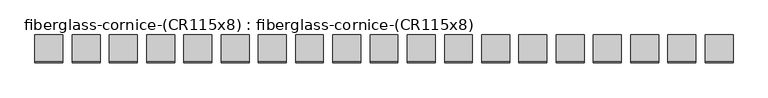
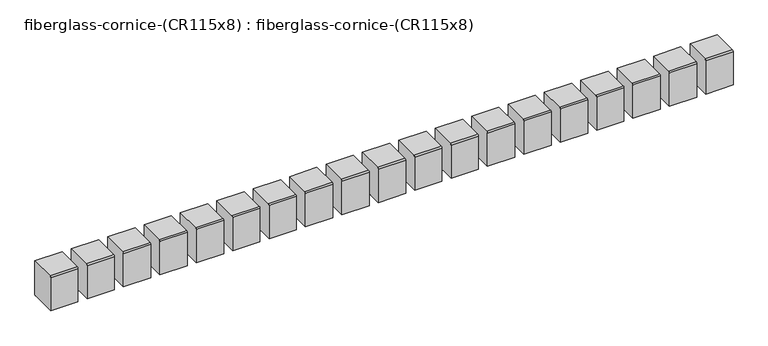
"""IFC4 building model written with IfcOpenShell, lengths in millimetres: furniture geometry, fiberglass-cornice-(CR115x8) : fiberglass-cornice-(CR115x8)."""

from ifc_helpers import new_model, si_unit, frame, origin, place, context, project, spatial, circle_curve, source, transform, mapped, element, save
from ifc_brep_helpers import plane_surface, cylinder_surface, advanced_brep


def fiberglass_cornice_cr115x8_fiberglass_cornice_cr115x8_4d7e9741(model_context):
    return source(origin(), model_context, "Body", "AdvancedBrep", [
        advanced_brep(
        [(-241.3316018, 254.0000168, 133.3535912), (-241.3316018, 257.1750148, 136.5250039), (-241.3316018, 330.2314169, 136.5250208), (-241.3316018, 330.2314169, 38.09225), (-241.3316018, 327.0743395, 34.9351726), (-241.3316018, 254.0000168, 34.9351726), (-165.1002018, 254.0000168, 133.3535912), (-165.1002018, 254.0000168, 34.9351726), (-165.1002018, 327.0743395, 34.9351726), (-165.1002018, 330.2314169, 38.09225), (-165.1002018, 330.2314169, 136.5250208), (-165.1002018, 257.1750149, 136.5250208)],
        [
            (0, 1, circle_curve(frame((-241.3316018, 257.1750148, 133.3500039), z_axis=(-1.0, 0.0, 0.0), x_axis=(0.0, 1.0, 0.0)), 3.175)),
            (1, 2),
            (2, 3),
            (3, 4, circle_curve(frame((-241.3316018, 327.0743395, 38.09225), z_axis=(-1.0, 0.0, 0.0), x_axis=(0.0, 1.0, 0.0)), 3.1570774)),
            (4, 5),
            (5, 0),
            (6, 7),
            (7, 8),
            (8, 9, circle_curve(frame((-165.1002018, 327.0743395, 38.09225), z_axis=(1.0, 0.0, 0.0), x_axis=(0.0, 1.0, 0.0)), 3.1570774)),
            (9, 10),
            (10, 11),
            (11, 6, circle_curve(frame((-165.1002018, 257.1750148, 133.3500039), z_axis=(1.0, 0.0, 0.0), x_axis=(0.0, 1.0, 0.0)), 3.175)),
            (0, 6),
            (11, 1),
            (10, 2),
            (9, 3),
            (8, 4),
            (7, 5),
        ],
        [
            plane_surface(frame((-241.3316018, 260.3500148, 133.3500039), z_axis=(-1.0, 0.0, 0.0), x_axis=(0.0, 0.0, -1.0))),
            plane_surface(frame((-165.1002018, 260.3500148, 133.3500039), z_axis=(1.0, 0.0, 0.0), x_axis=(0.0, 0.0, 1.0))),
            cylinder_surface(frame((-165.1002018, 257.1750148, 133.3500039), z_axis=(-1.0, 0.0, 0.0), x_axis=(0.0, 1.0, 0.0)), 3.175),
            plane_surface(frame((-241.3316018, 257.1750149, 136.5250208), z_axis=(0.0, 0.0, 1.0), x_axis=(1.0, 0.0, 0.0))),
            plane_surface(frame((-241.3316018, 330.2314169, 136.5250208), z_axis=(0.0, 1.0, 0.0), x_axis=(1.0, 0.0, 0.0))),
            cylinder_surface(frame((-165.1002018, 327.0743395, 38.09225), z_axis=(-1.0, 0.0, 0.0), x_axis=(0.0, 1.0, 0.0)), 3.1570774),
            plane_surface(frame((-241.3316018, 327.0743395, 34.9351726), z_axis=(0.0, 0.0, -1.0), x_axis=(1.0, 0.0, 0.0))),
            plane_surface(frame((-241.3316018, 254.0000168, 34.9351726), z_axis=(0.0, -1.0, 0.0), x_axis=(1.0, 0.0, 0.0))),
        ],
        [
            (0, [[1, 2, 3, 4, 5, 6]]),
            (1, [[7, 8, 9, 10, 11, 12]]),
            (2, [[-1, 13, -12, 14]]),
            (3, [[-2, -14, -11, 15]]),
            (4, [[-3, -15, -10, 16]]),
            (5, [[-4, -16, -9, 17]]),
            (6, [[-5, -17, -8, 18]]),
            (7, [[-6, -18, -7, -13]]),
        ],
    ),
        advanced_brep(
        [(-139.7316018, 254.0000168, 133.3535912), (-139.7316018, 257.1750148, 136.5250039), (-139.7316018, 330.2314169, 136.5250208), (-139.7316018, 330.2314169, 38.09225), (-139.7316018, 327.0743395, 34.9351726), (-139.7316018, 254.0000168, 34.9351726), (-63.5002018, 254.0000168, 133.3535912), (-63.5002018, 254.0000168, 34.9351726), (-63.5002018, 327.0743395, 34.9351726), (-63.5002018, 330.2314169, 38.09225), (-63.5002018, 330.2314169, 136.5250208), (-63.5002018, 257.1750149, 136.5250208)],
        [
            (0, 1, circle_curve(frame((-139.7316018, 257.1750148, 133.3500039), z_axis=(-1.0, 0.0, 0.0), x_axis=(0.0, 1.0, 0.0)), 3.175)),
            (1, 2),
            (2, 3),
            (3, 4, circle_curve(frame((-139.7316018, 327.0743395, 38.09225), z_axis=(-1.0, 0.0, 0.0), x_axis=(0.0, 1.0, 0.0)), 3.1570774)),
            (4, 5),
            (5, 0),
            (6, 7),
            (7, 8),
            (8, 9, circle_curve(frame((-63.5002018, 327.0743395, 38.09225), z_axis=(1.0, 0.0, 0.0), x_axis=(0.0, 1.0, 0.0)), 3.1570774)),
            (9, 10),
            (10, 11),
            (11, 6, circle_curve(frame((-63.5002018, 257.1750148, 133.3500039), z_axis=(1.0, 0.0, 0.0), x_axis=(0.0, 1.0, 0.0)), 3.175)),
            (0, 6),
            (11, 1),
            (10, 2),
            (9, 3),
            (8, 4),
            (7, 5),
        ],
        [
            plane_surface(frame((-139.7316018, 260.3500148, 133.3500039), z_axis=(-1.0, 0.0, 0.0), x_axis=(0.0, 0.0, -1.0))),
            plane_surface(frame((-63.5002018, 260.3500148, 133.3500039), z_axis=(1.0, 0.0, 0.0), x_axis=(0.0, 0.0, 1.0))),
            cylinder_surface(frame((-63.5002018, 257.1750148, 133.3500039), z_axis=(-1.0, 0.0, 0.0), x_axis=(0.0, 1.0, 0.0)), 3.175),
            plane_surface(frame((-139.7316018, 257.1750149, 136.5250208), z_axis=(0.0, 0.0, 1.0), x_axis=(1.0, 0.0, 0.0))),
            plane_surface(frame((-139.7316018, 330.2314169, 136.5250208), z_axis=(0.0, 1.0, 0.0), x_axis=(1.0, 0.0, 0.0))),
            cylinder_surface(frame((-63.5002018, 327.0743395, 38.09225), z_axis=(-1.0, 0.0, 0.0), x_axis=(0.0, 1.0, 0.0)), 3.1570774),
            plane_surface(frame((-139.7316018, 327.0743395, 34.9351726), z_axis=(0.0, 0.0, -1.0), x_axis=(1.0, 0.0, 0.0))),
            plane_surface(frame((-139.7316018, 254.0000168, 34.9351726), z_axis=(0.0, -1.0, 0.0), x_axis=(1.0, 0.0, 0.0))),
        ],
        [
            (0, [[1, 2, 3, 4, 5, 6]]),
            (1, [[7, 8, 9, 10, 11, 12]]),
            (2, [[-1, 13, -12, 14]]),
            (3, [[-2, -14, -11, 15]]),
            (4, [[-3, -15, -10, 16]]),
            (5, [[-4, -16, -9, 17]]),
            (6, [[-5, -17, -8, 18]]),
            (7, [[-6, -18, -7, -13]]),
        ],
    ),
        advanced_brep(
        [(-38.1316018, 254.0000168, 133.3535912), (-38.1316018, 257.1750148, 136.5250039), (-38.1316018, 330.2314169, 136.5250208), (-38.1316018, 330.2314169, 38.09225), (-38.1316018, 327.0743395, 34.9351726), (-38.1316018, 254.0000168, 34.9351726), (38.0997982, 254.0000168, 133.3535912), (38.0997982, 254.0000168, 34.9351726), (38.0997982, 327.0743395, 34.9351726), (38.0997982, 330.2314169, 38.09225), (38.0997982, 330.2314169, 136.5250208), (38.0997982, 257.1750149, 136.5250208)],
        [
            (0, 1, circle_curve(frame((-38.1316018, 257.1750148, 133.3500039), z_axis=(-1.0, 0.0, 0.0), x_axis=(0.0, 1.0, 0.0)), 3.175)),
            (1, 2),
            (2, 3),
            (3, 4, circle_curve(frame((-38.1316018, 327.0743395, 38.09225), z_axis=(-1.0, 0.0, 0.0), x_axis=(0.0, 1.0, 0.0)), 3.1570774)),
            (4, 5),
            (5, 0),
            (6, 7),
            (7, 8),
            (8, 9, circle_curve(frame((38.0997982, 327.0743395, 38.09225), z_axis=(1.0, 0.0, 0.0), x_axis=(0.0, 1.0, 0.0)), 3.1570774)),
            (9, 10),
            (10, 11),
            (11, 6, circle_curve(frame((38.0997982, 257.1750148, 133.3500039), z_axis=(1.0, 0.0, 0.0), x_axis=(0.0, 1.0, 0.0)), 3.175)),
            (0, 6),
            (11, 1),
            (10, 2),
            (9, 3),
            (8, 4),
            (7, 5),
        ],
        [
            plane_surface(frame((-38.1316018, 260.3500148, 133.3500039), z_axis=(-1.0, 0.0, 0.0), x_axis=(0.0, 0.0, -1.0))),
            plane_surface(frame((38.0997982, 260.3500148, 133.3500039), z_axis=(1.0, 0.0, 0.0), x_axis=(0.0, 0.0, 1.0))),
            cylinder_surface(frame((38.0997982, 257.1750148, 133.3500039), z_axis=(-1.0, 0.0, 0.0), x_axis=(0.0, 1.0, 0.0)), 3.175),
            plane_surface(frame((-38.1316018, 257.1750149, 136.5250208), z_axis=(0.0, 0.0, 1.0), x_axis=(1.0, 0.0, 0.0))),
            plane_surface(frame((-38.1316018, 330.2314169, 136.5250208), z_axis=(0.0, 1.0, 0.0), x_axis=(1.0, 0.0, 0.0))),
            cylinder_surface(frame((38.0997982, 327.0743395, 38.09225), z_axis=(-1.0, 0.0, 0.0), x_axis=(0.0, 1.0, 0.0)), 3.1570774),
            plane_surface(frame((-38.1316018, 327.0743395, 34.9351726), z_axis=(0.0, 0.0, -1.0), x_axis=(1.0, 0.0, 0.0))),
            plane_surface(frame((-38.1316018, 254.0000168, 34.9351726), z_axis=(0.0, -1.0, 0.0), x_axis=(1.0, 0.0, 0.0))),
        ],
        [
            (0, [[1, 2, 3, 4, 5, 6]]),
            (1, [[7, 8, 9, 10, 11, 12]]),
            (2, [[-1, 13, -12, 14]]),
            (3, [[-2, -14, -11, 15]]),
            (4, [[-3, -15, -10, 16]]),
            (5, [[-4, -16, -9, 17]]),
            (6, [[-5, -17, -8, 18]]),
            (7, [[-6, -18, -7, -13]]),
        ],
    ),
        advanced_brep(
        [(63.4683982, 254.0000168, 133.3535912), (63.4683982, 257.1750148, 136.5250039), (63.4683982, 330.2314169, 136.5250208), (63.4683982, 330.2314169, 38.09225), (63.4683982, 327.0743395, 34.9351726), (63.4683982, 254.0000168, 34.9351726), (139.6997982, 254.0000168, 133.3535912), (139.6997982, 254.0000168, 34.9351726), (139.6997982, 327.0743395, 34.9351726), (139.6997982, 330.2314169, 38.09225), (139.6997982, 330.2314169, 136.5250208), (139.6997982, 257.1750149, 136.5250208)],
        [
            (0, 1, circle_curve(frame((63.4683982, 257.1750148, 133.3500039), z_axis=(-1.0, 0.0, 0.0), x_axis=(0.0, 1.0, 0.0)), 3.175)),
            (1, 2),
            (2, 3),
            (3, 4, circle_curve(frame((63.4683982, 327.0743395, 38.09225), z_axis=(-1.0, 0.0, 0.0), x_axis=(0.0, 1.0, 0.0)), 3.1570774)),
            (4, 5),
            (5, 0),
            (6, 7),
            (7, 8),
            (8, 9, circle_curve(frame((139.6997982, 327.0743395, 38.09225), z_axis=(1.0, 0.0, 0.0), x_axis=(0.0, 1.0, 0.0)), 3.1570774)),
            (9, 10),
            (10, 11),
            (11, 6, circle_curve(frame((139.6997982, 257.1750148, 133.3500039), z_axis=(1.0, 0.0, 0.0), x_axis=(0.0, 1.0, 0.0)), 3.175)),
            (0, 6),
            (11, 1),
            (10, 2),
            (9, 3),
            (8, 4),
            (7, 5),
        ],
        [
            plane_surface(frame((63.4683982, 260.3500148, 133.3500039), z_axis=(-1.0, 0.0, 0.0), x_axis=(0.0, 0.0, -1.0))),
            plane_surface(frame((139.6997982, 260.3500148, 133.3500039), z_axis=(1.0, 0.0, 0.0), x_axis=(0.0, 0.0, 1.0))),
            cylinder_surface(frame((139.6997982, 257.1750148, 133.3500039), z_axis=(-1.0, 0.0, 0.0), x_axis=(0.0, 1.0, 0.0)), 3.175),
            plane_surface(frame((63.4683982, 257.1750149, 136.5250208), z_axis=(0.0, 0.0, 1.0), x_axis=(1.0, 0.0, 0.0))),
            plane_surface(frame((63.4683982, 330.2314169, 136.5250208), z_axis=(0.0, 1.0, 0.0), x_axis=(1.0, 0.0, 0.0))),
            cylinder_surface(frame((139.6997982, 327.0743395, 38.09225), z_axis=(-1.0, 0.0, 0.0), x_axis=(0.0, 1.0, 0.0)), 3.1570774),
            plane_surface(frame((63.4683982, 327.0743395, 34.9351726), z_axis=(0.0, 0.0, -1.0), x_axis=(1.0, 0.0, 0.0))),
            plane_surface(frame((63.4683982, 254.0000168, 34.9351726), z_axis=(0.0, -1.0, 0.0), x_axis=(1.0, 0.0, 0.0))),
        ],
        [
            (0, [[1, 2, 3, 4, 5, 6]]),
            (1, [[7, 8, 9, 10, 11, 12]]),
            (2, [[-1, 13, -12, 14]]),
            (3, [[-2, -14, -11, 15]]),
            (4, [[-3, -15, -10, 16]]),
            (5, [[-4, -16, -9, 17]]),
            (6, [[-5, -17, -8, 18]]),
            (7, [[-6, -18, -7, -13]]),
        ],
    ),
        advanced_brep(
        [(165.0683982, 254.0000168, 133.3535912), (165.0683982, 257.1750148, 136.5250039), (165.0683982, 330.2314169, 136.5250208), (165.0683982, 330.2314169, 38.09225), (165.0683982, 327.0743395, 34.9351726), (165.0683982, 254.0000168, 34.9351726), (241.2997982, 254.0000168, 133.3535912), (241.2997982, 254.0000168, 34.9351726), (241.2997982, 327.0743395, 34.9351726), (241.2997982, 330.2314169, 38.09225), (241.2997982, 330.2314169, 136.5250208), (241.2997982, 257.1750149, 136.5250208)],
        [
            (0, 1, circle_curve(frame((165.0683982, 257.1750148, 133.3500039), z_axis=(-1.0, 0.0, 0.0), x_axis=(0.0, 1.0, 0.0)), 3.175)),
            (1, 2),
            (2, 3),
            (3, 4, circle_curve(frame((165.0683982, 327.0743395, 38.09225), z_axis=(-1.0, 0.0, 0.0), x_axis=(0.0, 1.0, 0.0)), 3.1570774)),
            (4, 5),
            (5, 0),
            (6, 7),
            (7, 8),
            (8, 9, circle_curve(frame((241.2997982, 327.0743395, 38.09225), z_axis=(1.0, 0.0, 0.0), x_axis=(0.0, 1.0, 0.0)), 3.1570774)),
            (9, 10),
            (10, 11),
            (11, 6, circle_curve(frame((241.2997982, 257.1750148, 133.3500039), z_axis=(1.0, 0.0, 0.0), x_axis=(0.0, 1.0, 0.0)), 3.175)),
            (0, 6),
            (11, 1),
            (10, 2),
            (9, 3),
            (8, 4),
            (7, 5),
        ],
        [
            plane_surface(frame((165.0683982, 260.3500148, 133.3500039), z_axis=(-1.0, 0.0, 0.0), x_axis=(0.0, 0.0, -1.0))),
            plane_surface(frame((241.2997982, 260.3500148, 133.3500039), z_axis=(1.0, 0.0, 0.0), x_axis=(0.0, 0.0, 1.0))),
            cylinder_surface(frame((241.2997982, 257.1750148, 133.3500039), z_axis=(-1.0, 0.0, 0.0), x_axis=(0.0, 1.0, 0.0)), 3.175),
            plane_surface(frame((165.0683982, 257.1750149, 136.5250208), z_axis=(0.0, 0.0, 1.0), x_axis=(1.0, 0.0, 0.0))),
            plane_surface(frame((165.0683982, 330.2314169, 136.5250208), z_axis=(0.0, 1.0, 0.0), x_axis=(1.0, 0.0, 0.0))),
            cylinder_surface(frame((241.2997982, 327.0743395, 38.09225), z_axis=(-1.0, 0.0, 0.0), x_axis=(0.0, 1.0, 0.0)), 3.1570774),
            plane_surface(frame((165.0683982, 327.0743395, 34.9351726), z_axis=(0.0, 0.0, -1.0), x_axis=(1.0, 0.0, 0.0))),
            plane_surface(frame((165.0683982, 254.0000168, 34.9351726), z_axis=(0.0, -1.0, 0.0), x_axis=(1.0, 0.0, 0.0))),
        ],
        [
            (0, [[1, 2, 3, 4, 5, 6]]),
            (1, [[7, 8, 9, 10, 11, 12]]),
            (2, [[-1, 13, -12, 14]]),
            (3, [[-2, -14, -11, 15]]),
            (4, [[-3, -15, -10, 16]]),
            (5, [[-4, -16, -9, 17]]),
            (6, [[-5, -17, -8, 18]]),
            (7, [[-6, -18, -7, -13]]),
        ],
    ),
        advanced_brep(
        [(266.6683982, 254.0000168, 133.3535912), (266.6683982, 257.1750148, 136.5250039), (266.6683982, 330.2314169, 136.5250208), (266.6683982, 330.2314169, 38.09225), (266.6683982, 327.0743395, 34.9351726), (266.6683982, 254.0000168, 34.9351726), (342.8997982, 254.0000168, 133.3535912), (342.8997982, 254.0000168, 34.9351726), (342.8997982, 327.0743395, 34.9351726), (342.8997982, 330.2314169, 38.09225), (342.8997982, 330.2314169, 136.5250208), (342.8997982, 257.1750149, 136.5250208)],
        [
            (0, 1, circle_curve(frame((266.6683982, 257.1750148, 133.3500039), z_axis=(-1.0, 0.0, 0.0), x_axis=(0.0, 1.0, 0.0)), 3.175)),
            (1, 2),
            (2, 3),
            (3, 4, circle_curve(frame((266.6683982, 327.0743395, 38.09225), z_axis=(-1.0, 0.0, 0.0), x_axis=(0.0, 1.0, 0.0)), 3.1570774)),
            (4, 5),
            (5, 0),
            (6, 7),
            (7, 8),
            (8, 9, circle_curve(frame((342.8997982, 327.0743395, 38.09225), z_axis=(1.0, 0.0, 0.0), x_axis=(0.0, 1.0, 0.0)), 3.1570774)),
            (9, 10),
            (10, 11),
            (11, 6, circle_curve(frame((342.8997982, 257.1750148, 133.3500039), z_axis=(1.0, 0.0, 0.0), x_axis=(0.0, 1.0, 0.0)), 3.175)),
            (0, 6),
            (11, 1),
            (10, 2),
            (9, 3),
            (8, 4),
            (7, 5),
        ],
        [
            plane_surface(frame((266.6683982, 260.3500148, 133.3500039), z_axis=(-1.0, 0.0, 0.0), x_axis=(0.0, 0.0, -1.0))),
            plane_surface(frame((342.8997982, 260.3500148, 133.3500039), z_axis=(1.0, 0.0, 0.0), x_axis=(0.0, 0.0, 1.0))),
            cylinder_surface(frame((342.8997982, 257.1750148, 133.3500039), z_axis=(-1.0, 0.0, 0.0), x_axis=(0.0, 1.0, 0.0)), 3.175),
            plane_surface(frame((266.6683982, 257.1750149, 136.5250208), z_axis=(0.0, 0.0, 1.0), x_axis=(1.0, 0.0, 0.0))),
            plane_surface(frame((266.6683982, 330.2314169, 136.5250208), z_axis=(0.0, 1.0, 0.0), x_axis=(1.0, 0.0, 0.0))),
            cylinder_surface(frame((342.8997982, 327.0743395, 38.09225), z_axis=(-1.0, 0.0, 0.0), x_axis=(0.0, 1.0, 0.0)), 3.1570774),
            plane_surface(frame((266.6683982, 327.0743395, 34.9351726), z_axis=(0.0, 0.0, -1.0), x_axis=(1.0, 0.0, 0.0))),
            plane_surface(frame((266.6683982, 254.0000168, 34.9351726), z_axis=(0.0, -1.0, 0.0), x_axis=(1.0, 0.0, 0.0))),
        ],
        [
            (0, [[1, 2, 3, 4, 5, 6]]),
            (1, [[7, 8, 9, 10, 11, 12]]),
            (2, [[-1, 13, -12, 14]]),
            (3, [[-2, -14, -11, 15]]),
            (4, [[-3, -15, -10, 16]]),
            (5, [[-4, -16, -9, 17]]),
            (6, [[-5, -17, -8, 18]]),
            (7, [[-6, -18, -7, -13]]),
        ],
    ),
        advanced_brep(
        [(368.2683982, 254.0000168, 133.3535912), (368.2683982, 257.1750148, 136.5250039), (368.2683982, 330.2314169, 136.5250208), (368.2683982, 330.2314169, 38.09225), (368.2683982, 327.0743395, 34.9351726), (368.2683982, 254.0000168, 34.9351726), (444.4997982, 254.0000168, 133.3535912), (444.4997982, 254.0000168, 34.9351726), (444.4997982, 327.0743395, 34.9351726), (444.4997982, 330.2314169, 38.09225), (444.4997982, 330.2314169, 136.5250208), (444.4997982, 257.1750149, 136.5250208)],
        [
            (0, 1, circle_curve(frame((368.2683982, 257.1750148, 133.3500039), z_axis=(-1.0, 0.0, 0.0), x_axis=(0.0, 1.0, 0.0)), 3.175)),
            (1, 2),
            (2, 3),
            (3, 4, circle_curve(frame((368.2683982, 327.0743395, 38.09225), z_axis=(-1.0, 0.0, 0.0), x_axis=(0.0, 1.0, 0.0)), 3.1570774)),
            (4, 5),
            (5, 0),
            (6, 7),
            (7, 8),
            (8, 9, circle_curve(frame((444.4997982, 327.0743395, 38.09225), z_axis=(1.0, 0.0, 0.0), x_axis=(0.0, 1.0, 0.0)), 3.1570774)),
            (9, 10),
            (10, 11),
            (11, 6, circle_curve(frame((444.4997982, 257.1750148, 133.3500039), z_axis=(1.0, 0.0, 0.0), x_axis=(0.0, 1.0, 0.0)), 3.175)),
            (0, 6),
            (11, 1),
            (10, 2),
            (9, 3),
            (8, 4),
            (7, 5),
        ],
        [
            plane_surface(frame((368.2683982, 260.3500148, 133.3500039), z_axis=(-1.0, 0.0, 0.0), x_axis=(0.0, 0.0, -1.0))),
            plane_surface(frame((444.4997982, 260.3500148, 133.3500039), z_axis=(1.0, 0.0, 0.0), x_axis=(0.0, 0.0, 1.0))),
            cylinder_surface(frame((444.4997982, 257.1750148, 133.3500039), z_axis=(-1.0, 0.0, 0.0), x_axis=(0.0, 1.0, 0.0)), 3.175),
            plane_surface(frame((368.2683982, 257.1750149, 136.5250208), z_axis=(0.0, 0.0, 1.0), x_axis=(1.0, 0.0, 0.0))),
            plane_surface(frame((368.2683982, 330.2314169, 136.5250208), z_axis=(0.0, 1.0, 0.0), x_axis=(1.0, 0.0, 0.0))),
            cylinder_surface(frame((444.4997982, 327.0743395, 38.09225), z_axis=(-1.0, 0.0, 0.0), x_axis=(0.0, 1.0, 0.0)), 3.1570774),
            plane_surface(frame((368.2683982, 327.0743395, 34.9351726), z_axis=(0.0, 0.0, -1.0), x_axis=(1.0, 0.0, 0.0))),
            plane_surface(frame((368.2683982, 254.0000168, 34.9351726), z_axis=(0.0, -1.0, 0.0), x_axis=(1.0, 0.0, 0.0))),
        ],
        [
            (0, [[1, 2, 3, 4, 5, 6]]),
            (1, [[7, 8, 9, 10, 11, 12]]),
            (2, [[-1, 13, -12, 14]]),
            (3, [[-2, -14, -11, 15]]),
            (4, [[-3, -15, -10, 16]]),
            (5, [[-4, -16, -9, 17]]),
            (6, [[-5, -17, -8, 18]]),
            (7, [[-6, -18, -7, -13]]),
        ],
    ),
        advanced_brep(
        [(469.8683982, 254.0000168, 133.3535912), (469.8683982, 257.1750148, 136.5250039), (469.8683982, 330.2314169, 136.5250208), (469.8683982, 330.2314169, 38.09225), (469.8683982, 327.0743395, 34.9351726), (469.8683982, 254.0000168, 34.9351726), (546.0997982, 254.0000168, 133.3535912), (546.0997982, 254.0000168, 34.9351726), (546.0997982, 327.0743395, 34.9351726), (546.0997982, 330.2314169, 38.09225), (546.0997982, 330.2314169, 136.5250208), (546.0997982, 257.1750149, 136.5250208)],
        [
            (0, 1, circle_curve(frame((469.8683982, 257.1750148, 133.3500039), z_axis=(-1.0, 0.0, 0.0), x_axis=(0.0, 1.0, 0.0)), 3.175)),
            (1, 2),
            (2, 3),
            (3, 4, circle_curve(frame((469.8683982, 327.0743395, 38.09225), z_axis=(-1.0, 0.0, 0.0), x_axis=(0.0, 1.0, 0.0)), 3.1570774)),
            (4, 5),
            (5, 0),
            (6, 7),
            (7, 8),
            (8, 9, circle_curve(frame((546.0997982, 327.0743395, 38.09225), z_axis=(1.0, 0.0, 0.0), x_axis=(0.0, 1.0, 0.0)), 3.1570774)),
            (9, 10),
            (10, 11),
            (11, 6, circle_curve(frame((546.0997982, 257.1750148, 133.3500039), z_axis=(1.0, 0.0, 0.0), x_axis=(0.0, 1.0, 0.0)), 3.175)),
            (0, 6),
            (11, 1),
            (10, 2),
            (9, 3),
            (8, 4),
            (7, 5),
        ],
        [
            plane_surface(frame((469.8683982, 260.3500148, 133.3500039), z_axis=(-1.0, 0.0, 0.0), x_axis=(0.0, 0.0, -1.0))),
            plane_surface(frame((546.0997982, 260.3500148, 133.3500039), z_axis=(1.0, 0.0, 0.0), x_axis=(0.0, 0.0, 1.0))),
            cylinder_surface(frame((546.0997982, 257.1750148, 133.3500039), z_axis=(-1.0, 0.0, 0.0), x_axis=(0.0, 1.0, 0.0)), 3.175),
            plane_surface(frame((469.8683982, 257.1750149, 136.5250208), z_axis=(0.0, 0.0, 1.0), x_axis=(1.0, 0.0, 0.0))),
            plane_surface(frame((469.8683982, 330.2314169, 136.5250208), z_axis=(0.0, 1.0, 0.0), x_axis=(1.0, 0.0, 0.0))),
            cylinder_surface(frame((546.0997982, 327.0743395, 38.09225), z_axis=(-1.0, 0.0, 0.0), x_axis=(0.0, 1.0, 0.0)), 3.1570774),
            plane_surface(frame((469.8683982, 327.0743395, 34.9351726), z_axis=(0.0, 0.0, -1.0), x_axis=(1.0, 0.0, 0.0))),
            plane_surface(frame((469.8683982, 254.0000168, 34.9351726), z_axis=(0.0, -1.0, 0.0), x_axis=(1.0, 0.0, 0.0))),
        ],
        [
            (0, [[1, 2, 3, 4, 5, 6]]),
            (1, [[7, 8, 9, 10, 11, 12]]),
            (2, [[-1, 13, -12, 14]]),
            (3, [[-2, -14, -11, 15]]),
            (4, [[-3, -15, -10, 16]]),
            (5, [[-4, -16, -9, 17]]),
            (6, [[-5, -17, -8, 18]]),
            (7, [[-6, -18, -7, -13]]),
        ],
    ),
        advanced_brep(
        [(571.4683982, 254.0000168, 133.3535912), (571.4683982, 257.1750148, 136.5250039), (571.4683982, 330.2314169, 136.5250208), (571.4683982, 330.2314169, 38.09225), (571.4683982, 327.0743395, 34.9351726), (571.4683982, 254.0000168, 34.9351726), (647.6997982, 254.0000168, 133.3535912), (647.6997982, 254.0000168, 34.9351726), (647.6997982, 327.0743395, 34.9351726), (647.6997982, 330.2314169, 38.09225), (647.6997982, 330.2314169, 136.5250208), (647.6997982, 257.1750149, 136.5250208)],
        [
            (0, 1, circle_curve(frame((571.4683982, 257.1750148, 133.3500039), z_axis=(-1.0, 0.0, 0.0), x_axis=(0.0, 1.0, 0.0)), 3.175)),
            (1, 2),
            (2, 3),
            (3, 4, circle_curve(frame((571.4683982, 327.0743395, 38.09225), z_axis=(-1.0, 0.0, 0.0), x_axis=(0.0, 1.0, 0.0)), 3.1570774)),
            (4, 5),
            (5, 0),
            (6, 7),
            (7, 8),
            (8, 9, circle_curve(frame((647.6997982, 327.0743395, 38.09225), z_axis=(1.0, 0.0, 0.0), x_axis=(0.0, 1.0, 0.0)), 3.1570774)),
            (9, 10),
            (10, 11),
            (11, 6, circle_curve(frame((647.6997982, 257.1750148, 133.3500039), z_axis=(1.0, 0.0, 0.0), x_axis=(0.0, 1.0, 0.0)), 3.175)),
            (0, 6),
            (11, 1),
            (10, 2),
            (9, 3),
            (8, 4),
            (7, 5),
        ],
        [
            plane_surface(frame((571.4683982, 260.3500148, 133.3500039), z_axis=(-1.0, 0.0, 0.0), x_axis=(0.0, 0.0, -1.0))),
            plane_surface(frame((647.6997982, 260.3500148, 133.3500039), z_axis=(1.0, 0.0, 0.0), x_axis=(0.0, 0.0, 1.0))),
            cylinder_surface(frame((647.6997982, 257.1750148, 133.3500039), z_axis=(-1.0, 0.0, 0.0), x_axis=(0.0, 1.0, 0.0)), 3.175),
            plane_surface(frame((571.4683982, 257.1750149, 136.5250208), z_axis=(0.0, 0.0, 1.0), x_axis=(1.0, 0.0, 0.0))),
            plane_surface(frame((571.4683982, 330.2314169, 136.5250208), z_axis=(0.0, 1.0, 0.0), x_axis=(1.0, 0.0, 0.0))),
            cylinder_surface(frame((647.6997982, 327.0743395, 38.09225), z_axis=(-1.0, 0.0, 0.0), x_axis=(0.0, 1.0, 0.0)), 3.1570774),
            plane_surface(frame((571.4683982, 327.0743395, 34.9351726), z_axis=(0.0, 0.0, -1.0), x_axis=(1.0, 0.0, 0.0))),
            plane_surface(frame((571.4683982, 254.0000168, 34.9351726), z_axis=(0.0, -1.0, 0.0), x_axis=(1.0, 0.0, 0.0))),
        ],
        [
            (0, [[1, 2, 3, 4, 5, 6]]),
            (1, [[7, 8, 9, 10, 11, 12]]),
            (2, [[-1, 13, -12, 14]]),
            (3, [[-2, -14, -11, 15]]),
            (4, [[-3, -15, -10, 16]]),
            (5, [[-4, -16, -9, 17]]),
            (6, [[-5, -17, -8, 18]]),
            (7, [[-6, -18, -7, -13]]),
        ],
    ),
        advanced_brep(
        [(673.0683982, 254.0000168, 133.3535912), (673.0683982, 257.1750148, 136.5250039), (673.0683982, 330.2314169, 136.5250208), (673.0683982, 330.2314169, 38.09225), (673.0683982, 327.0743395, 34.9351726), (673.0683982, 254.0000168, 34.9351726), (749.2997982, 254.0000168, 133.3535912), (749.2997982, 254.0000168, 34.9351726), (749.2997982, 327.0743395, 34.9351726), (749.2997982, 330.2314169, 38.09225), (749.2997982, 330.2314169, 136.5250208), (749.2997982, 257.1750149, 136.5250208)],
        [
            (0, 1, circle_curve(frame((673.0683982, 257.1750148, 133.3500039), z_axis=(-1.0, 0.0, 0.0), x_axis=(0.0, 1.0, 0.0)), 3.175)),
            (1, 2),
            (2, 3),
            (3, 4, circle_curve(frame((673.0683982, 327.0743395, 38.09225), z_axis=(-1.0, 0.0, 0.0), x_axis=(0.0, 1.0, 0.0)), 3.1570774)),
            (4, 5),
            (5, 0),
            (6, 7),
            (7, 8),
            (8, 9, circle_curve(frame((749.2997982, 327.0743395, 38.09225), z_axis=(1.0, 0.0, 0.0), x_axis=(0.0, 1.0, 0.0)), 3.1570774)),
            (9, 10),
            (10, 11),
            (11, 6, circle_curve(frame((749.2997982, 257.1750148, 133.3500039), z_axis=(1.0, 0.0, 0.0), x_axis=(0.0, 1.0, 0.0)), 3.175)),
            (0, 6),
            (11, 1),
            (10, 2),
            (9, 3),
            (8, 4),
            (7, 5),
        ],
        [
            plane_surface(frame((673.0683982, 260.3500148, 133.3500039), z_axis=(-1.0, 0.0, 0.0), x_axis=(0.0, 0.0, -1.0))),
            plane_surface(frame((749.2997982, 260.3500148, 133.3500039), z_axis=(1.0, 0.0, 0.0), x_axis=(0.0, 0.0, 1.0))),
            cylinder_surface(frame((749.2997982, 257.1750148, 133.3500039), z_axis=(-1.0, 0.0, 0.0), x_axis=(0.0, 1.0, 0.0)), 3.175),
            plane_surface(frame((673.0683982, 257.1750149, 136.5250208), z_axis=(0.0, 0.0, 1.0), x_axis=(1.0, 0.0, 0.0))),
            plane_surface(frame((673.0683982, 330.2314169, 136.5250208), z_axis=(0.0, 1.0, 0.0), x_axis=(1.0, 0.0, 0.0))),
            cylinder_surface(frame((749.2997982, 327.0743395, 38.09225), z_axis=(-1.0, 0.0, 0.0), x_axis=(0.0, 1.0, 0.0)), 3.1570774),
            plane_surface(frame((673.0683982, 327.0743395, 34.9351726), z_axis=(0.0, 0.0, -1.0), x_axis=(1.0, 0.0, 0.0))),
            plane_surface(frame((673.0683982, 254.0000168, 34.9351726), z_axis=(0.0, -1.0, 0.0), x_axis=(1.0, 0.0, 0.0))),
        ],
        [
            (0, [[1, 2, 3, 4, 5, 6]]),
            (1, [[7, 8, 9, 10, 11, 12]]),
            (2, [[-1, 13, -12, 14]]),
            (3, [[-2, -14, -11, 15]]),
            (4, [[-3, -15, -10, 16]]),
            (5, [[-4, -16, -9, 17]]),
            (6, [[-5, -17, -8, 18]]),
            (7, [[-6, -18, -7, -13]]),
        ],
    ),
        advanced_brep(
        [(774.6683982, 254.0000168, 133.3535912), (774.6683982, 257.1750148, 136.5250039), (774.6683982, 330.2314169, 136.5250208), (774.6683982, 330.2314169, 38.09225), (774.6683982, 327.0743395, 34.9351726), (774.6683982, 254.0000168, 34.9351726), (850.8997982, 254.0000168, 133.3535912), (850.8997982, 254.0000168, 34.9351726), (850.8997982, 327.0743395, 34.9351726), (850.8997982, 330.2314169, 38.09225), (850.8997982, 330.2314169, 136.5250208), (850.8997982, 257.1750149, 136.5250208)],
        [
            (0, 1, circle_curve(frame((774.6683982, 257.1750148, 133.3500039), z_axis=(-1.0, 0.0, 0.0), x_axis=(0.0, 1.0, 0.0)), 3.175)),
            (1, 2),
            (2, 3),
            (3, 4, circle_curve(frame((774.6683982, 327.0743395, 38.09225), z_axis=(-1.0, 0.0, 0.0), x_axis=(0.0, 1.0, 0.0)), 3.1570774)),
            (4, 5),
            (5, 0),
            (6, 7),
            (7, 8),
            (8, 9, circle_curve(frame((850.8997982, 327.0743395, 38.09225), z_axis=(1.0, 0.0, 0.0), x_axis=(0.0, 1.0, 0.0)), 3.1570774)),
            (9, 10),
            (10, 11),
            (11, 6, circle_curve(frame((850.8997982, 257.1750148, 133.3500039), z_axis=(1.0, 0.0, 0.0), x_axis=(0.0, 1.0, 0.0)), 3.175)),
            (0, 6),
            (11, 1),
            (10, 2),
            (9, 3),
            (8, 4),
            (7, 5),
        ],
        [
            plane_surface(frame((774.6683982, 260.3500148, 133.3500039), z_axis=(-1.0, 0.0, 0.0), x_axis=(0.0, 0.0, -1.0))),
            plane_surface(frame((850.8997982, 260.3500148, 133.3500039), z_axis=(1.0, 0.0, 0.0), x_axis=(0.0, 0.0, 1.0))),
            cylinder_surface(frame((850.8997982, 257.1750148, 133.3500039), z_axis=(-1.0, 0.0, 0.0), x_axis=(0.0, 1.0, 0.0)), 3.175),
            plane_surface(frame((774.6683982, 257.1750149, 136.5250208), z_axis=(0.0, 0.0, 1.0), x_axis=(1.0, 0.0, 0.0))),
            plane_surface(frame((774.6683982, 330.2314169, 136.5250208), z_axis=(0.0, 1.0, 0.0), x_axis=(1.0, 0.0, 0.0))),
            cylinder_surface(frame((850.8997982, 327.0743395, 38.09225), z_axis=(-1.0, 0.0, 0.0), x_axis=(0.0, 1.0, 0.0)), 3.1570774),
            plane_surface(frame((774.6683982, 327.0743395, 34.9351726), z_axis=(0.0, 0.0, -1.0), x_axis=(1.0, 0.0, 0.0))),
            plane_surface(frame((774.6683982, 254.0000168, 34.9351726), z_axis=(0.0, -1.0, 0.0), x_axis=(1.0, 0.0, 0.0))),
        ],
        [
            (0, [[1, 2, 3, 4, 5, 6]]),
            (1, [[7, 8, 9, 10, 11, 12]]),
            (2, [[-1, 13, -12, 14]]),
            (3, [[-2, -14, -11, 15]]),
            (4, [[-3, -15, -10, 16]]),
            (5, [[-4, -16, -9, 17]]),
            (6, [[-5, -17, -8, 18]]),
            (7, [[-6, -18, -7, -13]]),
        ],
    ),
        advanced_brep(
        [(876.2683982, 254.0000168, 133.3535912), (876.2683982, 257.1750148, 136.5250039), (876.2683982, 330.2314169, 136.5250208), (876.2683982, 330.2314169, 38.09225), (876.2683982, 327.0743395, 34.9351726), (876.2683982, 254.0000168, 34.9351726), (952.4997982, 254.0000168, 133.3535912), (952.4997982, 254.0000168, 34.9351726), (952.4997982, 327.0743395, 34.9351726), (952.4997982, 330.2314169, 38.09225), (952.4997982, 330.2314169, 136.5250208), (952.4997982, 257.1750149, 136.5250208)],
        [
            (0, 1, circle_curve(frame((876.2683982, 257.1750148, 133.3500039), z_axis=(-1.0, 0.0, 0.0), x_axis=(0.0, 1.0, 0.0)), 3.175)),
            (1, 2),
            (2, 3),
            (3, 4, circle_curve(frame((876.2683982, 327.0743395, 38.09225), z_axis=(-1.0, 0.0, 0.0), x_axis=(0.0, 1.0, 0.0)), 3.1570774)),
            (4, 5),
            (5, 0),
            (6, 7),
            (7, 8),
            (8, 9, circle_curve(frame((952.4997982, 327.0743395, 38.09225), z_axis=(1.0, 0.0, 0.0), x_axis=(0.0, 1.0, 0.0)), 3.1570774)),
            (9, 10),
            (10, 11),
            (11, 6, circle_curve(frame((952.4997982, 257.1750148, 133.3500039), z_axis=(1.0, 0.0, 0.0), x_axis=(0.0, 1.0, 0.0)), 3.175)),
            (0, 6),
            (11, 1),
            (10, 2),
            (9, 3),
            (8, 4),
            (7, 5),
        ],
        [
            plane_surface(frame((876.2683982, 260.3500148, 133.3500039), z_axis=(-1.0, 0.0, 0.0), x_axis=(0.0, 0.0, -1.0))),
            plane_surface(frame((952.4997982, 260.3500148, 133.3500039), z_axis=(1.0, 0.0, 0.0), x_axis=(0.0, 0.0, 1.0))),
            cylinder_surface(frame((952.4997982, 257.1750148, 133.3500039), z_axis=(-1.0, 0.0, 0.0), x_axis=(0.0, 1.0, 0.0)), 3.175),
            plane_surface(frame((876.2683982, 257.1750149, 136.5250208), z_axis=(0.0, 0.0, 1.0), x_axis=(1.0, 0.0, 0.0))),
            plane_surface(frame((876.2683982, 330.2314169, 136.5250208), z_axis=(0.0, 1.0, 0.0), x_axis=(1.0, 0.0, 0.0))),
            cylinder_surface(frame((952.4997982, 327.0743395, 38.09225), z_axis=(-1.0, 0.0, 0.0), x_axis=(0.0, 1.0, 0.0)), 3.1570774),
            plane_surface(frame((876.2683982, 327.0743395, 34.9351726), z_axis=(0.0, 0.0, -1.0), x_axis=(1.0, 0.0, 0.0))),
            plane_surface(frame((876.2683982, 254.0000168, 34.9351726), z_axis=(0.0, -1.0, 0.0), x_axis=(1.0, 0.0, 0.0))),
        ],
        [
            (0, [[1, 2, 3, 4, 5, 6]]),
            (1, [[7, 8, 9, 10, 11, 12]]),
            (2, [[-1, 13, -12, 14]]),
            (3, [[-2, -14, -11, 15]]),
            (4, [[-3, -15, -10, 16]]),
            (5, [[-4, -16, -9, 17]]),
            (6, [[-5, -17, -8, 18]]),
            (7, [[-6, -18, -7, -13]]),
        ],
    ),
        advanced_brep(
        [(977.8683982, 254.0000168, 133.3535912), (977.8683982, 257.1750148, 136.5250039), (977.8683982, 330.2314169, 136.5250208), (977.8683982, 330.2314169, 38.09225), (977.8683982, 327.0743395, 34.9351726), (977.8683982, 254.0000168, 34.9351726), (1054.0997982, 254.0000168, 133.3535912), (1054.0997982, 254.0000168, 34.9351726), (1054.0997982, 327.0743395, 34.9351726), (1054.0997982, 330.2314169, 38.09225), (1054.0997982, 330.2314169, 136.5250208), (1054.0997982, 257.1750149, 136.5250208)],
        [
            (0, 1, circle_curve(frame((977.8683982, 257.1750148, 133.3500039), z_axis=(-1.0, 0.0, 0.0), x_axis=(0.0, 1.0, 0.0)), 3.175)),
            (1, 2),
            (2, 3),
            (3, 4, circle_curve(frame((977.8683982, 327.0743395, 38.09225), z_axis=(-1.0, 0.0, 0.0), x_axis=(0.0, 1.0, 0.0)), 3.1570774)),
            (4, 5),
            (5, 0),
            (6, 7),
            (7, 8),
            (8, 9, circle_curve(frame((1054.0997982, 327.0743395, 38.09225), z_axis=(1.0, 0.0, 0.0), x_axis=(0.0, 1.0, 0.0)), 3.1570774)),
            (9, 10),
            (10, 11),
            (11, 6, circle_curve(frame((1054.0997982, 257.1750148, 133.3500039), z_axis=(1.0, 0.0, 0.0), x_axis=(0.0, 1.0, 0.0)), 3.175)),
            (0, 6),
            (11, 1),
            (10, 2),
            (9, 3),
            (8, 4),
            (7, 5),
        ],
        [
            plane_surface(frame((977.8683982, 260.3500148, 133.3500039), z_axis=(-1.0, 0.0, 0.0), x_axis=(0.0, 0.0, -1.0))),
            plane_surface(frame((1054.0997982, 260.3500148, 133.3500039), z_axis=(1.0, 0.0, 0.0), x_axis=(0.0, 0.0, 1.0))),
            cylinder_surface(frame((1054.0997982, 257.1750148, 133.3500039), z_axis=(-1.0, 0.0, 0.0), x_axis=(0.0, 1.0, 0.0)), 3.175),
            plane_surface(frame((977.8683982, 257.1750149, 136.5250208), z_axis=(0.0, 0.0, 1.0), x_axis=(1.0, 0.0, 0.0))),
            plane_surface(frame((977.8683982, 330.2314169, 136.5250208), z_axis=(0.0, 1.0, 0.0), x_axis=(1.0, 0.0, 0.0))),
            cylinder_surface(frame((1054.0997982, 327.0743395, 38.09225), z_axis=(-1.0, 0.0, 0.0), x_axis=(0.0, 1.0, 0.0)), 3.1570774),
            plane_surface(frame((977.8683982, 327.0743395, 34.9351726), z_axis=(0.0, 0.0, -1.0), x_axis=(1.0, 0.0, 0.0))),
            plane_surface(frame((977.8683982, 254.0000168, 34.9351726), z_axis=(0.0, -1.0, 0.0), x_axis=(1.0, 0.0, 0.0))),
        ],
        [
            (0, [[1, 2, 3, 4, 5, 6]]),
            (1, [[7, 8, 9, 10, 11, 12]]),
            (2, [[-1, 13, -12, 14]]),
            (3, [[-2, -14, -11, 15]]),
            (4, [[-3, -15, -10, 16]]),
            (5, [[-4, -16, -9, 17]]),
            (6, [[-5, -17, -8, 18]]),
            (7, [[-6, -18, -7, -13]]),
        ],
    ),
        advanced_brep(
        [(1079.4683982, 254.0000168, 133.3535912), (1079.4683982, 257.1750148, 136.5250039), (1079.4683982, 330.2314169, 136.5250208), (1079.4683982, 330.2314169, 38.09225), (1079.4683982, 327.0743395, 34.9351726), (1079.4683982, 254.0000168, 34.9351726), (1155.6997982, 254.0000168, 133.3535912), (1155.6997982, 254.0000168, 34.9351726), (1155.6997982, 327.0743395, 34.9351726), (1155.6997982, 330.2314169, 38.09225), (1155.6997982, 330.2314169, 136.5250208), (1155.6997982, 257.1750149, 136.5250208)],
        [
            (0, 1, circle_curve(frame((1079.4683982, 257.1750148, 133.3500039), z_axis=(-1.0, 0.0, 0.0), x_axis=(0.0, 1.0, 0.0)), 3.175)),
            (1, 2),
            (2, 3),
            (3, 4, circle_curve(frame((1079.4683982, 327.0743395, 38.09225), z_axis=(-1.0, 0.0, 0.0), x_axis=(0.0, 1.0, 0.0)), 3.1570774)),
            (4, 5),
            (5, 0),
            (6, 7),
            (7, 8),
            (8, 9, circle_curve(frame((1155.6997982, 327.0743395, 38.09225), z_axis=(1.0, 0.0, 0.0), x_axis=(0.0, 1.0, 0.0)), 3.1570774)),
            (9, 10),
            (10, 11),
            (11, 6, circle_curve(frame((1155.6997982, 257.1750148, 133.3500039), z_axis=(1.0, 0.0, 0.0), x_axis=(0.0, 1.0, 0.0)), 3.175)),
            (0, 6),
            (11, 1),
            (10, 2),
            (9, 3),
            (8, 4),
            (7, 5),
        ],
        [
            plane_surface(frame((1079.4683982, 260.3500148, 133.3500039), z_axis=(-1.0, 0.0, 0.0), x_axis=(0.0, 0.0, -1.0))),
            plane_surface(frame((1155.6997982, 260.3500148, 133.3500039), z_axis=(1.0, 0.0, 0.0), x_axis=(0.0, 0.0, 1.0))),
            cylinder_surface(frame((1155.6997982, 257.1750148, 133.3500039), z_axis=(-1.0, 0.0, 0.0), x_axis=(0.0, 1.0, 0.0)), 3.175),
            plane_surface(frame((1079.4683982, 257.1750149, 136.5250208), z_axis=(0.0, 0.0, 1.0), x_axis=(1.0, 0.0, 0.0))),
            plane_surface(frame((1079.4683982, 330.2314169, 136.5250208), z_axis=(0.0, 1.0, 0.0), x_axis=(1.0, 0.0, 0.0))),
            cylinder_surface(frame((1155.6997982, 327.0743395, 38.09225), z_axis=(-1.0, 0.0, 0.0), x_axis=(0.0, 1.0, 0.0)), 3.1570774),
            plane_surface(frame((1079.4683982, 327.0743395, 34.9351726), z_axis=(0.0, 0.0, -1.0), x_axis=(1.0, 0.0, 0.0))),
            plane_surface(frame((1079.4683982, 254.0000168, 34.9351726), z_axis=(0.0, -1.0, 0.0), x_axis=(1.0, 0.0, 0.0))),
        ],
        [
            (0, [[1, 2, 3, 4, 5, 6]]),
            (1, [[7, 8, 9, 10, 11, 12]]),
            (2, [[-1, 13, -12, 14]]),
            (3, [[-2, -14, -11, 15]]),
            (4, [[-3, -15, -10, 16]]),
            (5, [[-4, -16, -9, 17]]),
            (6, [[-5, -17, -8, 18]]),
            (7, [[-6, -18, -7, -13]]),
        ],
    ),
        advanced_brep(
        [(1181.0683982, 254.0000168, 133.3535912), (1181.0683982, 257.1750148, 136.5250039), (1181.0683982, 330.2314169, 136.5250208), (1181.0683982, 330.2314169, 38.09225), (1181.0683982, 327.0743395, 34.9351726), (1181.0683982, 254.0000168, 34.9351726), (1257.2997982, 254.0000168, 133.3535912), (1257.2997982, 254.0000168, 34.9351726), (1257.2997982, 327.0743395, 34.9351726), (1257.2997982, 330.2314169, 38.09225), (1257.2997982, 330.2314169, 136.5250208), (1257.2997982, 257.1750149, 136.5250208)],
        [
            (0, 1, circle_curve(frame((1181.0683982, 257.1750148, 133.3500039), z_axis=(-1.0, 0.0, 0.0), x_axis=(0.0, 1.0, 0.0)), 3.175)),
            (1, 2),
            (2, 3),
            (3, 4, circle_curve(frame((1181.0683982, 327.0743395, 38.09225), z_axis=(-1.0, 0.0, 0.0), x_axis=(0.0, 1.0, 0.0)), 3.1570774)),
            (4, 5),
            (5, 0),
            (6, 7),
            (7, 8),
            (8, 9, circle_curve(frame((1257.2997982, 327.0743395, 38.09225), z_axis=(1.0, 0.0, 0.0), x_axis=(0.0, 1.0, 0.0)), 3.1570774)),
            (9, 10),
            (10, 11),
            (11, 6, circle_curve(frame((1257.2997982, 257.1750148, 133.3500039), z_axis=(1.0, 0.0, 0.0), x_axis=(0.0, 1.0, 0.0)), 3.175)),
            (0, 6),
            (11, 1),
            (10, 2),
            (9, 3),
            (8, 4),
            (7, 5),
        ],
        [
            plane_surface(frame((1181.0683982, 260.3500148, 133.3500039), z_axis=(-1.0, 0.0, 0.0), x_axis=(0.0, 0.0, -1.0))),
            plane_surface(frame((1257.2997982, 260.3500148, 133.3500039), z_axis=(1.0, 0.0, 0.0), x_axis=(0.0, 0.0, 1.0))),
            cylinder_surface(frame((1257.2997982, 257.1750148, 133.3500039), z_axis=(-1.0, 0.0, 0.0), x_axis=(0.0, 1.0, 0.0)), 3.175),
            plane_surface(frame((1181.0683982, 257.1750149, 136.5250208), z_axis=(0.0, 0.0, 1.0), x_axis=(1.0, 0.0, 0.0))),
            plane_surface(frame((1181.0683982, 330.2314169, 136.5250208), z_axis=(0.0, 1.0, 0.0), x_axis=(1.0, 0.0, 0.0))),
            cylinder_surface(frame((1257.2997982, 327.0743395, 38.09225), z_axis=(-1.0, 0.0, 0.0), x_axis=(0.0, 1.0, 0.0)), 3.1570774),
            plane_surface(frame((1181.0683982, 327.0743395, 34.9351726), z_axis=(0.0, 0.0, -1.0), x_axis=(1.0, 0.0, 0.0))),
            plane_surface(frame((1181.0683982, 254.0000168, 34.9351726), z_axis=(0.0, -1.0, 0.0), x_axis=(1.0, 0.0, 0.0))),
        ],
        [
            (0, [[1, 2, 3, 4, 5, 6]]),
            (1, [[7, 8, 9, 10, 11, 12]]),
            (2, [[-1, 13, -12, 14]]),
            (3, [[-2, -14, -11, 15]]),
            (4, [[-3, -15, -10, 16]]),
            (5, [[-4, -16, -9, 17]]),
            (6, [[-5, -17, -8, 18]]),
            (7, [[-6, -18, -7, -13]]),
        ],
    ),
        advanced_brep(
        [(1282.6683982, 254.0000168, 133.3535912), (1282.6683982, 257.1750148, 136.5250039), (1282.6683982, 330.2314169, 136.5250208), (1282.6683982, 330.2314169, 38.09225), (1282.6683982, 327.0743395, 34.9351726), (1282.6683982, 254.0000168, 34.9351726), (1358.8997982, 254.0000168, 133.3535912), (1358.8997982, 254.0000168, 34.9351726), (1358.8997982, 327.0743395, 34.9351726), (1358.8997982, 330.2314169, 38.09225), (1358.8997982, 330.2314169, 136.5250208), (1358.8997982, 257.1750149, 136.5250208)],
        [
            (0, 1, circle_curve(frame((1282.6683982, 257.1750148, 133.3500039), z_axis=(-1.0, 0.0, 0.0), x_axis=(0.0, 1.0, 0.0)), 3.175)),
            (1, 2),
            (2, 3),
            (3, 4, circle_curve(frame((1282.6683982, 327.0743395, 38.09225), z_axis=(-1.0, 0.0, 0.0), x_axis=(0.0, 1.0, 0.0)), 3.1570774)),
            (4, 5),
            (5, 0),
            (6, 7),
            (7, 8),
            (8, 9, circle_curve(frame((1358.8997982, 327.0743395, 38.09225), z_axis=(1.0, 0.0, 0.0), x_axis=(0.0, 1.0, 0.0)), 3.1570774)),
            (9, 10),
            (10, 11),
            (11, 6, circle_curve(frame((1358.8997982, 257.1750148, 133.3500039), z_axis=(1.0, 0.0, 0.0), x_axis=(0.0, 1.0, 0.0)), 3.175)),
            (0, 6),
            (11, 1),
            (10, 2),
            (9, 3),
            (8, 4),
            (7, 5),
        ],
        [
            plane_surface(frame((1282.6683982, 260.3500148, 133.3500039), z_axis=(-1.0, 0.0, 0.0), x_axis=(0.0, 0.0, -1.0))),
            plane_surface(frame((1358.8997982, 260.3500148, 133.3500039), z_axis=(1.0, 0.0, 0.0), x_axis=(0.0, 0.0, 1.0))),
            cylinder_surface(frame((1358.8997982, 257.1750148, 133.3500039), z_axis=(-1.0, 0.0, 0.0), x_axis=(0.0, 1.0, 0.0)), 3.175),
            plane_surface(frame((1282.6683982, 257.1750149, 136.5250208), z_axis=(0.0, 0.0, 1.0), x_axis=(1.0, 0.0, 0.0))),
            plane_surface(frame((1282.6683982, 330.2314169, 136.5250208), z_axis=(0.0, 1.0, 0.0), x_axis=(1.0, 0.0, 0.0))),
            cylinder_surface(frame((1358.8997982, 327.0743395, 38.09225), z_axis=(-1.0, 0.0, 0.0), x_axis=(0.0, 1.0, 0.0)), 3.1570774),
            plane_surface(frame((1282.6683982, 327.0743395, 34.9351726), z_axis=(0.0, 0.0, -1.0), x_axis=(1.0, 0.0, 0.0))),
            plane_surface(frame((1282.6683982, 254.0000168, 34.9351726), z_axis=(0.0, -1.0, 0.0), x_axis=(1.0, 0.0, 0.0))),
        ],
        [
            (0, [[1, 2, 3, 4, 5, 6]]),
            (1, [[7, 8, 9, 10, 11, 12]]),
            (2, [[-1, 13, -12, 14]]),
            (3, [[-2, -14, -11, 15]]),
            (4, [[-3, -15, -10, 16]]),
            (5, [[-4, -16, -9, 17]]),
            (6, [[-5, -17, -8, 18]]),
            (7, [[-6, -18, -7, -13]]),
        ],
    ),
        advanced_brep(
        [(1384.2683982, 254.0000168, 133.3535912), (1384.2683982, 257.1750148, 136.5250039), (1384.2683982, 330.2314169, 136.5250208), (1384.2683982, 330.2314169, 38.09225), (1384.2683982, 327.0743395, 34.9351726), (1384.2683982, 254.0000168, 34.9351726), (1460.4997982, 254.0000168, 133.3535912), (1460.4997982, 254.0000168, 34.9351726), (1460.4997982, 327.0743395, 34.9351726), (1460.4997982, 330.2314169, 38.09225), (1460.4997982, 330.2314169, 136.5250208), (1460.4997982, 257.1750149, 136.5250208)],
        [
            (0, 1, circle_curve(frame((1384.2683982, 257.1750148, 133.3500039), z_axis=(-1.0, 0.0, 0.0), x_axis=(0.0, 1.0, 0.0)), 3.175)),
            (1, 2),
            (2, 3),
            (3, 4, circle_curve(frame((1384.2683982, 327.0743395, 38.09225), z_axis=(-1.0, 0.0, 0.0), x_axis=(0.0, 1.0, 0.0)), 3.1570774)),
            (4, 5),
            (5, 0),
            (6, 7),
            (7, 8),
            (8, 9, circle_curve(frame((1460.4997982, 327.0743395, 38.09225), z_axis=(1.0, 0.0, 0.0), x_axis=(0.0, 1.0, 0.0)), 3.1570774)),
            (9, 10),
            (10, 11),
            (11, 6, circle_curve(frame((1460.4997982, 257.1750148, 133.3500039), z_axis=(1.0, 0.0, 0.0), x_axis=(0.0, 1.0, 0.0)), 3.175)),
            (0, 6),
            (11, 1),
            (10, 2),
            (9, 3),
            (8, 4),
            (7, 5),
        ],
        [
            plane_surface(frame((1384.2683982, 260.3500148, 133.3500039), z_axis=(-1.0, 0.0, 0.0), x_axis=(0.0, 0.0, -1.0))),
            plane_surface(frame((1460.4997982, 260.3500148, 133.3500039), z_axis=(1.0, 0.0, 0.0), x_axis=(0.0, 0.0, 1.0))),
            cylinder_surface(frame((1460.4997982, 257.1750148, 133.3500039), z_axis=(-1.0, 0.0, 0.0), x_axis=(0.0, 1.0, 0.0)), 3.175),
            plane_surface(frame((1384.2683982, 257.1750149, 136.5250208), z_axis=(0.0, 0.0, 1.0), x_axis=(1.0, 0.0, 0.0))),
            plane_surface(frame((1384.2683982, 330.2314169, 136.5250208), z_axis=(0.0, 1.0, 0.0), x_axis=(1.0, 0.0, 0.0))),
            cylinder_surface(frame((1460.4997982, 327.0743395, 38.09225), z_axis=(-1.0, 0.0, 0.0), x_axis=(0.0, 1.0, 0.0)), 3.1570774),
            plane_surface(frame((1384.2683982, 327.0743395, 34.9351726), z_axis=(0.0, 0.0, -1.0), x_axis=(1.0, 0.0, 0.0))),
            plane_surface(frame((1384.2683982, 254.0000168, 34.9351726), z_axis=(0.0, -1.0, 0.0), x_axis=(1.0, 0.0, 0.0))),
        ],
        [
            (0, [[1, 2, 3, 4, 5, 6]]),
            (1, [[7, 8, 9, 10, 11, 12]]),
            (2, [[-1, 13, -12, 14]]),
            (3, [[-2, -14, -11, 15]]),
            (4, [[-3, -15, -10, 16]]),
            (5, [[-4, -16, -9, 17]]),
            (6, [[-5, -17, -8, 18]]),
            (7, [[-6, -18, -7, -13]]),
        ],
    ),
        advanced_brep(
        [(1485.8683982, 254.0000168, 133.3535912), (1485.8683982, 257.1750148, 136.5250039), (1485.8683982, 330.2314169, 136.5250208), (1485.8683982, 330.2314169, 38.09225), (1485.8683982, 327.0743395, 34.9351726), (1485.8683982, 254.0000168, 34.9351726), (1562.0997982, 254.0000168, 133.3535912), (1562.0997982, 254.0000168, 34.9351726), (1562.0997982, 327.0743395, 34.9351726), (1562.0997982, 330.2314169, 38.09225), (1562.0997982, 330.2314169, 136.5250208), (1562.0997982, 257.1750149, 136.5250208)],
        [
            (0, 1, circle_curve(frame((1485.8683982, 257.1750148, 133.3500039), z_axis=(-1.0, 0.0, 0.0), x_axis=(0.0, 1.0, 0.0)), 3.175)),
            (1, 2),
            (2, 3),
            (3, 4, circle_curve(frame((1485.8683982, 327.0743395, 38.09225), z_axis=(-1.0, 0.0, 0.0), x_axis=(0.0, 1.0, 0.0)), 3.1570774)),
            (4, 5),
            (5, 0),
            (6, 7),
            (7, 8),
            (8, 9, circle_curve(frame((1562.0997982, 327.0743395, 38.09225), z_axis=(1.0, 0.0, 0.0), x_axis=(0.0, 1.0, 0.0)), 3.1570774)),
            (9, 10),
            (10, 11),
            (11, 6, circle_curve(frame((1562.0997982, 257.1750148, 133.3500039), z_axis=(1.0, 0.0, 0.0), x_axis=(0.0, 1.0, 0.0)), 3.175)),
            (0, 6),
            (11, 1),
            (10, 2),
            (9, 3),
            (8, 4),
            (7, 5),
        ],
        [
            plane_surface(frame((1485.8683982, 260.3500148, 133.3500039), z_axis=(-1.0, 0.0, 0.0), x_axis=(0.0, 0.0, -1.0))),
            plane_surface(frame((1562.0997982, 260.3500148, 133.3500039), z_axis=(1.0, 0.0, 0.0), x_axis=(0.0, 0.0, 1.0))),
            cylinder_surface(frame((1562.0997982, 257.1750148, 133.3500039), z_axis=(-1.0, 0.0, 0.0), x_axis=(0.0, 1.0, 0.0)), 3.175),
            plane_surface(frame((1485.8683982, 257.1750149, 136.5250208), z_axis=(0.0, 0.0, 1.0), x_axis=(1.0, 0.0, 0.0))),
            plane_surface(frame((1485.8683982, 330.2314169, 136.5250208), z_axis=(0.0, 1.0, 0.0), x_axis=(1.0, 0.0, 0.0))),
            cylinder_surface(frame((1562.0997982, 327.0743395, 38.09225), z_axis=(-1.0, 0.0, 0.0), x_axis=(0.0, 1.0, 0.0)), 3.1570774),
            plane_surface(frame((1485.8683982, 327.0743395, 34.9351726), z_axis=(0.0, 0.0, -1.0), x_axis=(1.0, 0.0, 0.0))),
            plane_surface(frame((1485.8683982, 254.0000168, 34.9351726), z_axis=(0.0, -1.0, 0.0), x_axis=(1.0, 0.0, 0.0))),
        ],
        [
            (0, [[1, 2, 3, 4, 5, 6]]),
            (1, [[7, 8, 9, 10, 11, 12]]),
            (2, [[-1, 13, -12, 14]]),
            (3, [[-2, -14, -11, 15]]),
            (4, [[-3, -15, -10, 16]]),
            (5, [[-4, -16, -9, 17]]),
            (6, [[-5, -17, -8, 18]]),
            (7, [[-6, -18, -7, -13]]),
        ],
    ),
        advanced_brep(
        [(1587.4683982, 254.0000168, 133.3535912), (1587.4683982, 257.1750148, 136.5250039), (1587.4683982, 330.2314169, 136.5250208), (1587.4683982, 330.2314169, 38.09225), (1587.4683982, 327.0743395, 34.9351726), (1587.4683982, 254.0000168, 34.9351726), (1663.6997982, 254.0000168, 133.3535912), (1663.6997982, 254.0000168, 34.9351726), (1663.6997982, 327.0743395, 34.9351726), (1663.6997982, 330.2314169, 38.09225), (1663.6997982, 330.2314169, 136.5250208), (1663.6997982, 257.1750149, 136.5250208)],
        [
            (0, 1, circle_curve(frame((1587.4683982, 257.1750148, 133.3500039), z_axis=(-1.0, 0.0, 0.0), x_axis=(0.0, 1.0, 0.0)), 3.175)),
            (1, 2),
            (2, 3),
            (3, 4, circle_curve(frame((1587.4683982, 327.0743395, 38.09225), z_axis=(-1.0, 0.0, 0.0), x_axis=(0.0, 1.0, 0.0)), 3.1570774)),
            (4, 5),
            (5, 0),
            (6, 7),
            (7, 8),
            (8, 9, circle_curve(frame((1663.6997982, 327.0743395, 38.09225), z_axis=(1.0, 0.0, 0.0), x_axis=(0.0, 1.0, 0.0)), 3.1570774)),
            (9, 10),
            (10, 11),
            (11, 6, circle_curve(frame((1663.6997982, 257.1750148, 133.3500039), z_axis=(1.0, 0.0, 0.0), x_axis=(0.0, 1.0, 0.0)), 3.175)),
            (0, 6),
            (11, 1),
            (10, 2),
            (9, 3),
            (8, 4),
            (7, 5),
        ],
        [
            plane_surface(frame((1587.4683982, 260.3500148, 133.3500039), z_axis=(-1.0, 0.0, 0.0), x_axis=(0.0, 0.0, -1.0))),
            plane_surface(frame((1663.6997982, 260.3500148, 133.3500039), z_axis=(1.0, 0.0, 0.0), x_axis=(0.0, 0.0, 1.0))),
            cylinder_surface(frame((1663.6997982, 257.1750148, 133.3500039), z_axis=(-1.0, 0.0, 0.0), x_axis=(0.0, 1.0, 0.0)), 3.175),
            plane_surface(frame((1587.4683982, 257.1750149, 136.5250208), z_axis=(0.0, 0.0, 1.0), x_axis=(1.0, 0.0, 0.0))),
            plane_surface(frame((1587.4683982, 330.2314169, 136.5250208), z_axis=(0.0, 1.0, 0.0), x_axis=(1.0, 0.0, 0.0))),
            cylinder_surface(frame((1663.6997982, 327.0743395, 38.09225), z_axis=(-1.0, 0.0, 0.0), x_axis=(0.0, 1.0, 0.0)), 3.1570774),
            plane_surface(frame((1587.4683982, 327.0743395, 34.9351726), z_axis=(0.0, 0.0, -1.0), x_axis=(1.0, 0.0, 0.0))),
            plane_surface(frame((1587.4683982, 254.0000168, 34.9351726), z_axis=(0.0, -1.0, 0.0), x_axis=(1.0, 0.0, 0.0))),
        ],
        [
            (0, [[1, 2, 3, 4, 5, 6]]),
            (1, [[7, 8, 9, 10, 11, 12]]),
            (2, [[-1, 13, -12, 14]]),
            (3, [[-2, -14, -11, 15]]),
            (4, [[-3, -15, -10, 16]]),
            (5, [[-4, -16, -9, 17]]),
            (6, [[-5, -17, -8, 18]]),
            (7, [[-6, -18, -7, -13]]),
        ],
    ),
    ])


if __name__ == "__main__":
    model = new_model("IFC4")
    model_context = context("Model", 3, world=origin())
    ifc_project = project(units=[si_unit("LENGTHUNIT", "METRE", prefix="MILLI")], contexts=[model_context])
    site = spatial("IfcSite", under=ifc_project)
    building = spatial("IfcBuilding", under=site)
    placement = place(None, origin())
    fiberglass_cornice_cr115x8_fiberglass_cornice_cr115x8_shape = fiberglass_cornice_cr115x8_fiberglass_cornice_cr115x8_4d7e9741(model_context)
    element("IfcFurniture", 1, ObjectType="fiberglass-cornice-(CR115x8) : fiberglass-cornice-(CR115x8)", at=placement, inside=building, context=model_context, shape_type="MappedRepresentation", body=[
        mapped(fiberglass_cornice_cr115x8_fiberglass_cornice_cr115x8_shape, transform((0.0, 0.0, 0.0), x_axis=(1.0, 0.0, 0.0), y_axis=(0.0, 1.0, 0.0), z_axis=(0.0, 0.0, 1.0))),
    ])
    save(model, "model.ifc")
